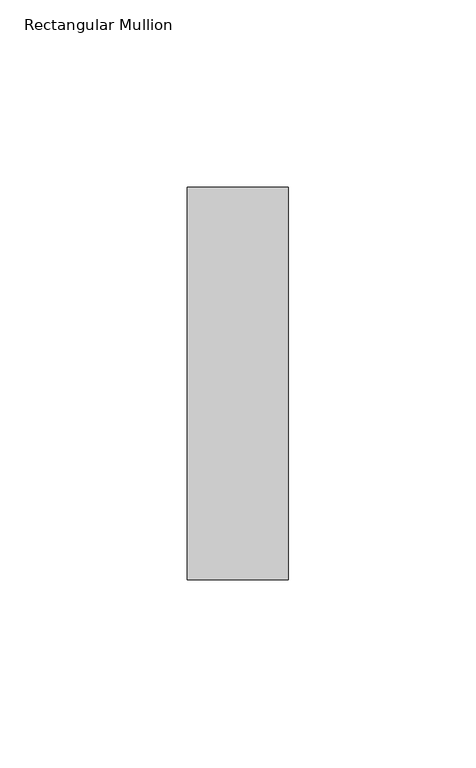
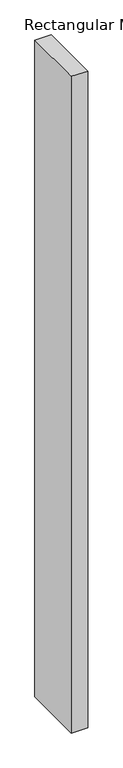
"""IFC4 building model written with IfcOpenShell, lengths in millimetres: member geometry, Rectangular Mullion."""

import ifcopenshell
import ifcopenshell.guid

model = None  # the IFC model being written
_history = None  # IfcOwnerHistory: only IFC2X3 demands one
_inside = {}  # id of a spatial element -> (the spatial element, [elements in it])
_under = {}  # id of a project, library or spatial element -> (it, [spatial elements below it])
_declared = {}  # id of a project -> (the project, [libraries it declares])
_typed = {}  # id of a type object -> (the type object, [elements of that type])
_made_of = {}  # id of a material, layer set ... -> (it, [elements and type objects made of it])


def new_model(schema):
    """Start an empty IFC model of exactly this schema.

    Asked for "IFC4X3", IfcOpenShell would pick the latest addendum, in which some entities
    have other attributes; the version numbers below select the first issue.
    IFC2X3 requires an IfcOwnerHistory on every rooted entity: one is made here for all.
    """
    global model, _history
    if schema == "IFC4X3":
        model = ifcopenshell.file(schema_version=(4, 3, 0, 0))
    else:
        model = ifcopenshell.file(schema=schema)
    _inside.clear()
    _under.clear()
    _declared.clear()
    _typed.clear()
    _made_of.clear()
    _history = None
    if model.schema == "IFC2X3":
        org = make("IfcOrganization", Name="unknown")
        user = make(
            "IfcPersonAndOrganization",
            ThePerson=make("IfcPerson", FamilyName="unknown"),
            TheOrganization=org,
        )
        app = make(
            "IfcApplication",
            ApplicationDeveloper=org,
            Version="unknown",
            ApplicationFullName="unknown",
            ApplicationIdentifier="unknown",
        )
        _history = make(
            "IfcOwnerHistory",
            OwningUser=user,
            OwningApplication=app,
            ChangeAction="ADDED",
            CreationDate=0,
        )
    return model


def make(cls, **values):
    """One entity of the class cls with the attributes given. An attribute that is None is left unset."""
    return model.create_entity(
        cls, **{name: value for name, value in values.items() if value is not None}
    )


def rooted(cls, **values):
    """An entity with a GlobalId (a new one), such as an element, a storey or a relation."""
    return make(cls, GlobalId=ifcopenshell.guid.new(), OwnerHistory=_history, **values)


def si_unit(unit_type, name, prefix=None):
    """IfcSIUnit, for example si_unit("LENGTHUNIT", "METRE", prefix="MILLI")."""
    return make("IfcSIUnit", UnitType=unit_type, Prefix=prefix, Name=name)


def assignment(units):
    """IfcUnitAssignment: the units of a project."""
    return None if units is None else make("IfcUnitAssignment", Units=units)


def point(xyz):
    """IfcCartesianPoint."""
    return None if xyz is None else make("IfcCartesianPoint", Coordinates=xyz)


def direction(xyz):
    """IfcDirection."""
    return None if xyz is None else make("IfcDirection", DirectionRatios=xyz)


def frame(location, z_axis=None, x_axis=None):
    """IfcAxis2Placement3D, a coordinate frame: its origin and axes. An axis left out is left unset."""
    return make(
        "IfcAxis2Placement3D",
        Location=point(location),
        Axis=direction(z_axis),
        RefDirection=direction(x_axis),
    )


def origin():
    """The frame at (0, 0, 0) with its axes left unset."""
    return frame((0.0, 0.0, 0.0))


def place(relative_to, where):
    """IfcLocalPlacement: puts the frame where relative to a parent placement (None: the world)."""
    return make(
        "IfcLocalPlacement", PlacementRelTo=relative_to, RelativePlacement=where
    )


def context(
    kind, dimensions, precision=None, world=None, true_north=None, identifier=None
):
    """IfcGeometricRepresentationContext, for example the 3D "Model" context."""
    return make(
        "IfcGeometricRepresentationContext",
        ContextIdentifier=identifier,
        ContextType=kind,
        CoordinateSpaceDimension=dimensions,
        Precision=precision,
        WorldCoordinateSystem=world,
        TrueNorth=true_north,
    )


def project(units=None, contexts=None):
    """IfcProject with its units and contexts."""
    return rooted(
        "IfcProject",
        Name="project",
        RepresentationContexts=contexts,
        UnitsInContext=assignment(units),
    )


def spatial(cls, under=None, at=None, **own):
    """A site, building, storey or space (cls), placed at a placement, below another one or the project."""
    s = rooted(cls, ObjectPlacement=at, **own)
    if under is not None:
        _under.setdefault(under.id(), (under, []))[1].append(s)
    return s


def polyline(points):
    """IfcPolyline through the points."""
    return make("IfcPolyline", Points=[point(p) for p in points])


def outline(outer, holes=None, kind="AREA"):
    """IfcArbitraryClosedProfileDef: a profile drawn as a closed curve; with holes, ...WithVoids."""
    if holes is None:
        return make("IfcArbitraryClosedProfileDef", ProfileType=kind, OuterCurve=outer)
    return make(
        "IfcArbitraryProfileDefWithVoids",
        ProfileType=kind,
        OuterCurve=outer,
        InnerCurves=holes,
    )


def extrude(swept, where, along, depth):
    """IfcExtrudedAreaSolid: the profile swept, set in the frame where, extruded along a direction by depth."""
    return make(
        "IfcExtrudedAreaSolid",
        SweptArea=swept,
        Position=where,
        ExtrudedDirection=direction(along),
        Depth=depth,
    )


def shape(context_of_items, identifier, shape_type, items):
    """IfcShapeRepresentation: the items that make up one representation, for example the "Body"."""
    return make(
        "IfcShapeRepresentation",
        ContextOfItems=context_of_items,
        RepresentationIdentifier=identifier,
        RepresentationType=shape_type,
        Items=items,
    )


def source(mapping_origin, context_of_items, identifier, shape_type, items):
    """IfcRepresentationMap: a shape defined once, which mapped items show again and again."""
    return make(
        "IfcRepresentationMap",
        MappingOrigin=mapping_origin,
        MappedRepresentation=shape(context_of_items, identifier, shape_type, items),
    )


def transform(
    local_origin,
    x_axis=None,
    y_axis=None,
    z_axis=None,
    scale=None,
    scale2=None,
    scale3=None,
    uniform=True,
):
    """IfcCartesianTransformationOperator3D, or its non-uniform kind. x_axis, y_axis, z_axis: its Axis1, 2, 3."""
    if uniform:
        return make(
            "IfcCartesianTransformationOperator3D",
            Axis1=direction(x_axis),
            Axis2=direction(y_axis),
            LocalOrigin=point(local_origin),
            Scale=scale,
            Axis3=direction(z_axis),
        )
    return make(
        "IfcCartesianTransformationOperator3DnonUniform",
        Axis1=direction(x_axis),
        Axis2=direction(y_axis),
        LocalOrigin=point(local_origin),
        Scale=scale,
        Axis3=direction(z_axis),
        Scale2=scale2,
        Scale3=scale3,
    )


def mapped(mapping_source, mapping_target):
    """IfcMappedItem: shows the shape of a source again, moved by a transform."""
    return make(
        "IfcMappedItem", MappingSource=mapping_source, MappingTarget=mapping_target
    )


def made_of(thing, what):
    """Note that an element or type object is made of a material, layer set ...; save() writes the relation."""
    if what is not None:
        _made_of.setdefault(what.id(), (what, []))[1].append(thing)
    return thing


def element(
    cls,
    number,
    at=None,
    inside=None,
    cuts=None,
    type_object=None,
    material=None,
    context=None,
    identifier="Body",
    shape_type=None,
    held_by="IfcProductDefinitionShape",
    body=None,
    shapes=None,
    **own,
):
    """One element of the class cls, such as IfcWall. Its Tag is "e" and its number.

    at: its placement. inside: the storey or other place that contains it. cuts: it is an
    opening in that element (IfcRelVoidsElement). A single representation is given by context,
    identifier, shape_type and body (its items); several are given by shapes. held_by: the class
    of the entity that holds the representations. save() writes the other relations.
    """
    e = rooted(cls, Tag="e%d" % number, ObjectPlacement=at, **own)
    if body is not None:
        shapes = [shape(context, identifier, shape_type, body)]
    if shapes is not None:
        e.Representation = make(held_by, Representations=shapes)
    if inside is not None:
        _inside.setdefault(inside.id(), (inside, []))[1].append(e)
    if cuts is not None:
        rooted(
            "IfcRelVoidsElement", RelatingBuildingElement=cuts, RelatedOpeningElement=e
        )
    if type_object is not None:
        _typed.setdefault(type_object.id(), (type_object, []))[1].append(e)
    return made_of(e, material)


def aggregate(whole, parts):
    """IfcRelAggregates: a whole, such as a stair, and the parts it consists of."""
    return rooted("IfcRelAggregates", RelatingObject=whole, RelatedObjects=parts)


def save(model, path):
    """Write the relations noted so far, then the file.

    IfcRelAggregates (storeys below a building ...), IfcRelContainedInSpatialStructure (elements
    in a storey), IfcRelDefinesByType, IfcRelAssociatesMaterial and IfcRelDeclares: one each for
    every whole, place, type object, material and project.
    """
    for whole, parts in _under.values():
        aggregate(whole, parts)
    for where, things in _inside.values():
        rooted(
            "IfcRelContainedInSpatialStructure",
            RelatedElements=things,
            RelatingStructure=where,
        )
    for kind, things in _typed.values():
        rooted("IfcRelDefinesByType", RelatedObjects=things, RelatingType=kind)
    for what, things in _made_of.values():
        rooted("IfcRelAssociatesMaterial", RelatedObjects=things, RelatingMaterial=what)
    for by, libraries in _declared.values():
        rooted("IfcRelDeclares", RelatingContext=by, RelatedDefinitions=libraries)
    model.write(path)


def rectangular_mullion_83e21242(model_context):
    return source(origin(), model_context, "Body", "SweptSolid", [
        extrude(outline(polyline([(0.0, 52.3975), (0.0, -52.3975), (-27.0, -52.3975), (-27.0, 52.3975), (0.0, 52.3975)])), frame((0.0, 0.0, -1153.0), z_axis=(0.0, 0.0, 1.0), x_axis=(1.0, 0.0, 0.0)), (0.0, 0.0, 1.0), 1153.0),
    ])


if __name__ == "__main__":
    model = new_model("IFC4")
    model_context = context("Model", 3, world=origin())
    ifc_project = project(units=[si_unit("LENGTHUNIT", "METRE", prefix="MILLI")], contexts=[model_context])
    site = spatial("IfcSite", under=ifc_project)
    building = spatial("IfcBuilding", under=site)
    placement = place(None, origin())
    rectangular_mullion_shape = rectangular_mullion_83e21242(model_context)
    element("IfcMember", 1, ObjectType="Rectangular Mullion", at=placement, inside=building, context=model_context, shape_type="MappedRepresentation", body=[
        mapped(rectangular_mullion_shape, transform((0.0, 0.0, 0.0), x_axis=(1.0, 0.0, 0.0), y_axis=(0.0, 1.0, 0.0), z_axis=(0.0, 0.0, 1.0))),
    ])
    save(model, "model.ifc")
